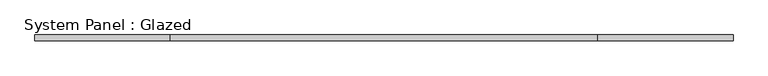
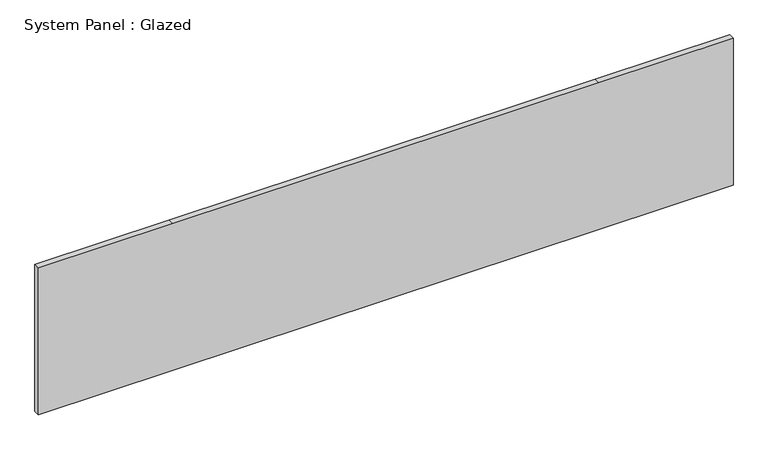
"""IFC4 building model written with IfcOpenShell, lengths in millimetres: plate geometry, System Panel : Glazed."""

from ifc_helpers import new_model, si_unit, frame, origin, place, context, project, spatial, polyline, outline, extrude, source, transform, mapped, element, save


def system_panel_glazed_8ee2ed70(model_context):
    return source(origin(), model_context, "Body", "SweptSolid", [
        extrude(outline(polyline([(0.0, -1492.25), (0.0, -914.4), (0.0, 914.4), (0.0, 1492.25), (666.75, 1492.25), (666.75, 914.4), (666.75, -914.4), (666.75, -1492.25), (0.0, -1492.25)])), frame((0.0, 19.05, 0.0), z_axis=(0.0, 1.0, 0.0), x_axis=(0.0, 0.0, 1.0)), (0.0, 0.0, 1.0), 25.4),
    ])


if __name__ == "__main__":
    model = new_model("IFC4")
    model_context = context("Model", 3, world=origin())
    ifc_project = project(units=[si_unit("LENGTHUNIT", "METRE", prefix="MILLI")], contexts=[model_context])
    site = spatial("IfcSite", under=ifc_project)
    building = spatial("IfcBuilding", under=site)
    placement = place(None, origin())
    system_panel_glazed_shape = system_panel_glazed_8ee2ed70(model_context)
    element("IfcPlate", 1, ObjectType="System Panel : Glazed", at=placement, inside=building, context=model_context, shape_type="MappedRepresentation", body=[
        mapped(system_panel_glazed_shape, transform((0.0, 0.0, 0.0), x_axis=(1.0, 0.0, 0.0), y_axis=(0.0, 1.0, 0.0), z_axis=(0.0, 0.0, 1.0))),
    ])
    save(model, "model.ifc")
